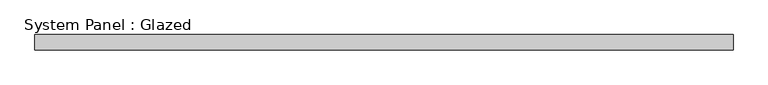
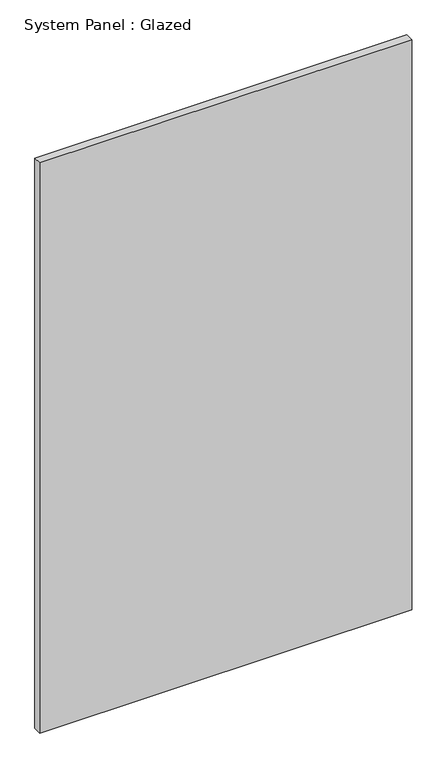
"""IFC4 building model written with IfcOpenShell, lengths in millimetres: plate geometry, System Panel : Glazed."""

from ifc_helpers import new_model, si_unit, origin, origin_with_axes, place, context, project, spatial, polyline, outline, extrude, source, transform, mapped, element, save


def system_panel_glazed_154c2137(model_context):
    return source(origin(), model_context, "Body", "SweptSolid", [
        extrude(outline(polyline([(581.9069444, -44.45), (-581.9069444, -44.45), (-581.9069444, -19.05), (581.9069444, -19.05), (581.9069444, -44.45)])), origin_with_axes(), (0.0, 0.0, 1.0), 1885.95),
    ])


if __name__ == "__main__":
    model = new_model("IFC4")
    model_context = context("Model", 3, world=origin())
    ifc_project = project(units=[si_unit("LENGTHUNIT", "METRE", prefix="MILLI")], contexts=[model_context])
    site = spatial("IfcSite", under=ifc_project)
    building = spatial("IfcBuilding", under=site)
    placement = place(None, origin())
    system_panel_glazed_shape = system_panel_glazed_154c2137(model_context)
    element("IfcPlate", 1, ObjectType="System Panel : Glazed", at=placement, inside=building, context=model_context, shape_type="MappedRepresentation", body=[
        mapped(system_panel_glazed_shape, transform((0.0, 0.0, 0.0), x_axis=(1.0, 0.0, 0.0), y_axis=(0.0, 1.0, 0.0), z_axis=(0.0, 0.0, 1.0))),
    ])
    save(model, "model.ifc")
